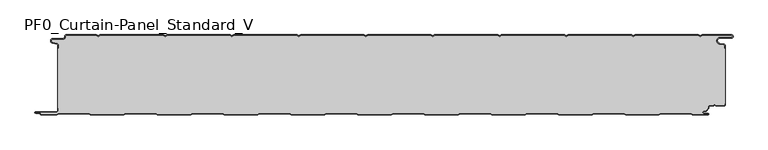
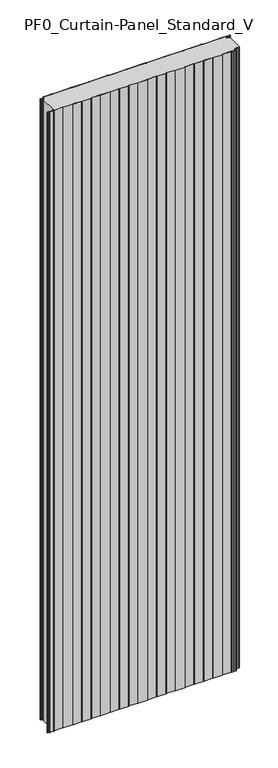
"""IFC4 building model written with IfcOpenShell, lengths in millimetres: plate geometry, PF0_Curtain-Panel_Standard_V."""

from ifc_helpers import new_model, si_unit, point, frame_2d, origin, origin_with_axes, place, context, project, spatial, polyline, circle_curve, trimmed, segment, composite_curve, outline, extrude, source, transform, mapped, element, save


def pf0_curtain_panel_standard_v_26ec280b(model_context):
    return source(origin(), model_context, "Body", "SweptSolid", [
        extrude(outline(composite_curve([segment(trimmed(circle_curve(frame_2d((-502.0, -15.878557)), 2.0), [point((-500.0, -15.878557))], [point((-501.5500978, -13.9298169))], True, "CARTESIAN"), True, "CONTINUOUS"), segment(polyline([(-501.5500978, -13.9298169), (-507.7098239, -12.507732)]), True, "CONTINUOUS"), segment(trimmed(circle_curve(frame_2d((-506.9, -9.0)), 3.6), [point((-507.7098239, -12.507732))], [point((-506.9, -5.4))], False, "CARTESIAN"), True, "CONTINUOUS"), segment(polyline([(-506.9, -5.4), (-491.4, -5.4)]), True, "CONTINUOUS"), segment(trimmed(circle_curve(frame_2d((-491.4, -3.4)), 2.0), [point((-491.4, -5.4))], [point((-489.4, -3.4))], True, "CARTESIAN"), True, "CONTINUOUS"), segment(polyline([(-489.4, -3.4), (-489.4, -2.0)]), True, "CONTINUOUS"), segment(trimmed(circle_curve(frame_2d((-487.4, -2.0)), 2.0), [point((-489.4, -2.0))], [point((-487.4, 0.0))], False, "CARTESIAN"), True, "CONTINUOUS"), segment(polyline([(-487.4, 0.0), (-442.0999995, 0.0), (-439.4, -1.5588455), (-436.7000005, 0.0), (-342.0999995, 0.0), (-339.4, -1.5588455), (-336.7000005, 0.0), (-242.0999995, 0.0), (-239.4, -1.5588455), (-236.7000005, 0.0), (-142.0999995, 0.0), (-139.4, -1.5588455), (-136.7000005, 0.0), (-42.0999995, 0.0), (-39.4, -1.5588455), (-36.7000005, 0.0), (57.9000005, 0.0), (60.6, -1.5588455), (63.2999995, 0.0), (157.9000005, 0.0), (160.6, -1.5588455), (163.2999995, 0.0), (257.9000005, 0.0), (260.6, -1.5588455), (263.2999995, 0.0), (357.9000005, 0.0), (360.6, -1.5588455), (363.2999995, 0.0), (457.9000005, 0.0), (460.6, -1.5588455), (463.2999995, 0.0), (507.268846, 0.0)]), True, "CONTINUOUS"), segment(trimmed(circle_curve(frame_2d((507.268846, -2.5)), 2.5), [point((507.268846, 0.0))], [point((507.268846, -5.0))], False, "CARTESIAN"), True, "CONTINUOUS"), segment(polyline([(507.268846, -5.0), (490.268846, -5.0)]), True, "CONTINUOUS"), segment(trimmed(circle_curve(frame_2d((490.268846, -9.0)), 4.0), [point((490.268846, -5.0))], [point((489.574253, -12.939231))], True, "CARTESIAN"), True, "CONTINUOUS"), segment(polyline([(489.574253, -12.939231), (496.0203315, -14.0758491)]), True, "CONTINUOUS"), segment(trimmed(circle_curve(frame_2d((495.568846, -16.6363492)), 2.6), [point((496.0203315, -14.0758491))], [point((498.168846, -16.6363492))], False, "CARTESIAN"), True, "CONTINUOUS"), segment(polyline([(498.168846, -16.6363492), (498.168846, -20.0), (497.368846, -20.0), (497.368846, -16.6363492)]), True, "CONTINUOUS"), segment(trimmed(circle_curve(frame_2d((495.568846, -16.6363492)), 1.8), [point((497.368846, -16.6363492))], [point((495.8814129, -14.8636953))], True, "CARTESIAN"), True, "CONTINUOUS"), segment(polyline([(495.8814129, -14.8636953), (489.4353344, -13.7270772)]), True, "CONTINUOUS"), segment(trimmed(circle_curve(frame_2d((490.268846, -9.0)), 4.8), [point((489.4353344, -13.7270772))], [point((490.268846, -4.2))], False, "CARTESIAN"), True, "CONTINUOUS"), segment(polyline([(490.268846, -4.2), (507.268846, -4.2)]), True, "CONTINUOUS"), segment(trimmed(circle_curve(frame_2d((507.268846, -2.5)), 1.7), [point((507.268846, -4.2))], [point((507.268846, -0.8))], True, "CARTESIAN"), True, "CONTINUOUS"), segment(polyline([(507.268846, -0.8), (463.5143588, -0.8), (460.6, -2.482606), (457.6856412, -0.8), (363.5143588, -0.8), (360.6, -2.482606), (357.6856412, -0.8), (263.5143588, -0.8), (260.6, -2.482606), (257.6856412, -0.8), (163.5143588, -0.8), (160.6, -2.482606), (157.6856412, -0.8), (63.5143588, -0.8), (60.6, -2.482606), (57.6856412, -0.8), (-36.4856412, -0.8), (-39.4, -2.482606), (-42.3143588, -0.8), (-136.4856412, -0.8), (-139.4, -2.482606), (-142.3143588, -0.8), (-236.4856412, -0.8), (-239.4, -2.482606), (-242.3143588, -0.8), (-336.4856412, -0.8), (-339.4, -2.482606), (-342.3143588, -0.8), (-436.4856412, -0.8), (-439.4, -2.482606), (-442.3143588, -0.8), (-487.4, -0.8)]), True, "CONTINUOUS"), segment(trimmed(circle_curve(frame_2d((-487.4, -2.0)), 1.2), [point((-487.4, -0.8))], [point((-488.6, -2.0))], True, "CARTESIAN"), True, "CONTINUOUS"), segment(polyline([(-488.6, -2.0), (-488.6, -3.4)]), True, "CONTINUOUS"), segment(trimmed(circle_curve(frame_2d((-491.4, -3.4)), 2.8), [point((-488.6, -3.4))], [point((-491.4, -6.2))], False, "CARTESIAN"), True, "CONTINUOUS"), segment(polyline([(-491.4, -6.2), (-506.9, -6.2)]), True, "CONTINUOUS"), segment(trimmed(circle_curve(frame_2d((-506.9, -9.0)), 2.8), [point((-506.9, -6.2))], [point((-507.529863, -11.7282362))], True, "CARTESIAN"), True, "CONTINUOUS"), segment(polyline([(-507.529863, -11.7282362), (-501.370137, -13.150321)]), True, "CONTINUOUS"), segment(trimmed(circle_curve(frame_2d((-502.0, -15.878557)), 2.8), [point((-501.370137, -13.150321))], [point((-499.2, -15.878557))], False, "CARTESIAN"), True, "CONTINUOUS"), segment(polyline([(-499.2, -15.878557), (-499.2, -20.0), (-500.0, -20.0), (-500.0, -15.878557)]), True, "CONTINUOUS")], self_intersect=False)), origin_with_axes(), (0.0, 0.0, 1.0), 3500.0),
        extrude(outline(composite_curve([segment(polyline([(-499.2, -110.0), (-500.0, -110.0), (-500.0, -20.0), (-499.2, -20.0), (-499.2, -15.878557)]), True, "CONTINUOUS"), segment(trimmed(circle_curve(frame_2d((-502.0, -15.878557)), 2.8), [point((-499.2, -15.878557))], [point((-501.370137, -13.1503208))], True, "CARTESIAN"), True, "CONTINUOUS"), segment(polyline([(-501.370137, -13.1503208), (-507.529863, -11.7282362)]), True, "CONTINUOUS"), segment(trimmed(circle_curve(frame_2d((-506.9, -9.0)), 2.8), [point((-507.529863, -11.7282362))], [point((-506.9, -6.2))], False, "CARTESIAN"), True, "CONTINUOUS"), segment(polyline([(-506.9, -6.2), (-491.4, -6.2)]), True, "CONTINUOUS"), segment(trimmed(circle_curve(frame_2d((-491.4, -3.4)), 2.8), [point((-491.4, -6.2))], [point((-488.6, -3.4))], True, "CARTESIAN"), True, "CONTINUOUS"), segment(polyline([(-488.6, -3.4), (-488.6, -2.0)]), True, "CONTINUOUS"), segment(trimmed(circle_curve(frame_2d((-487.4, -2.0)), 1.2), [point((-488.6, -2.0))], [point((-487.4, -0.8))], False, "CARTESIAN"), True, "CONTINUOUS"), segment(polyline([(-487.4, -0.8), (-442.3143588, -0.8), (-439.4, -2.482606), (-436.4856412, -0.8), (-342.3143588, -0.8), (-339.4, -2.482606), (-336.4856412, -0.8), (-242.3143588, -0.8), (-239.4, -2.482606), (-236.4856412, -0.8), (-142.3143588, -0.8), (-139.4, -2.482606), (-136.4856412, -0.8), (-42.3143588, -0.8), (-39.4, -2.482606), (-36.4856412, -0.8), (57.6856412, -0.8), (60.6, -2.482606), (63.5143588, -0.8), (157.6856412, -0.8), (160.6, -2.482606), (163.5143588, -0.8), (257.6856412, -0.8), (260.6, -2.482606), (263.5143588, -0.8), (357.6856412, -0.8), (360.6, -2.482606), (363.5143588, -0.8), (457.6856412, -0.8), (460.6, -2.482606), (463.5143588, -0.8), (507.268846, -0.8)]), True, "CONTINUOUS"), segment(trimmed(circle_curve(frame_2d((507.268846, -2.5)), 1.7), [point((507.268846, -0.8))], [point((507.268846, -4.2))], False, "CARTESIAN"), True, "CONTINUOUS"), segment(polyline([(507.268846, -4.2), (490.268846, -4.2)]), True, "CONTINUOUS"), segment(trimmed(circle_curve(frame_2d((490.268846, -9.0)), 4.8), [point((490.268846, -4.2))], [point((489.4353344, -13.7270772))], True, "CARTESIAN"), True, "CONTINUOUS"), segment(polyline([(489.4353344, -13.7270772), (495.8814129, -14.8636953)]), True, "CONTINUOUS"), segment(trimmed(circle_curve(frame_2d((495.568846, -16.6363492)), 1.8), [point((495.8814129, -14.8636953))], [point((497.368846, -16.6363492))], False, "CARTESIAN"), True, "CONTINUOUS"), segment(polyline([(497.368846, -16.6363492), (497.368846, -20.0), (498.168846, -20.0), (498.168846, -103.0), (497.368846, -103.0), (497.368846, -104.4)]), True, "CONTINUOUS"), segment(trimmed(circle_curve(frame_2d((495.568846, -104.4)), 1.8), [point((497.368846, -104.4))], [point((495.568846, -106.2))], False, "CARTESIAN"), True, "CONTINUOUS"), segment(polyline([(495.568846, -106.2), (484.0002158, -106.2), (482.168846, -104.3686285), (480.3374762, -106.2), (474.168846, -106.2)]), True, "CONTINUOUS"), segment(trimmed(circle_curve(frame_2d((474.168846, -108.0)), 1.8), [point((474.168846, -106.2))], [point((472.368846, -108.0))], True, "CARTESIAN"), True, "CONTINUOUS"), segment(polyline([(472.368846, -108.0), (472.368846, -108.8276204)]), True, "CONTINUOUS"), segment(trimmed(circle_curve(frame_2d((466.9964664, -108.8276204)), 5.3723796), [point((472.368846, -108.8276204))], [point((466.9964664, -114.2))], False, "CARTESIAN"), True, "CONTINUOUS"), segment(polyline([(466.9964664, -114.2), (466.168846, -114.2)]), True, "CONTINUOUS"), segment(trimmed(circle_curve(frame_2d((466.168846, -116.4)), 2.2), [point((466.168846, -114.2))], [point((466.168846, -118.6))], True, "CARTESIAN"), True, "CONTINUOUS"), segment(polyline([(466.168846, -118.6), (472.0579973, -118.6)]), True, "CONTINUOUS"), segment(trimmed(circle_curve(frame_2d((472.0579973, -118.9)), 0.3), [point((472.0579973, -118.6))], [point((472.0579973, -119.2))], False, "CARTESIAN"), True, "CONTINUOUS"), segment(polyline([(472.0579973, -119.2), (449.2152562, -119.2), (446.6171786, -117.7), (401.3884624, -117.7), (398.7903848, -119.2), (349.2152562, -119.2), (346.6171786, -117.7), (301.3884624, -117.7), (298.7903848, -119.2), (249.2152562, -119.2), (246.6171786, -117.7), (201.3884624, -117.7), (198.7903848, -119.2), (149.2152562, -119.2), (146.6171786, -117.7), (101.3884624, -117.7), (98.7903848, -119.2), (49.2152562, -119.2), (46.6171786, -117.7), (1.3884624, -117.7), (-1.2096152, -119.2), (-50.7847438, -119.2), (-53.3828214, -117.7), (-98.6115376, -117.7), (-101.2096152, -119.2), (-150.7847438, -119.2), (-153.3828214, -117.7), (-198.6115376, -117.7), (-201.2096152, -119.2), (-250.7847438, -119.2), (-253.3828214, -117.7), (-298.6115376, -117.7), (-301.2096152, -119.2), (-350.7847438, -119.2), (-353.3828214, -117.7), (-398.6115376, -117.7), (-401.2096152, -119.2), (-450.7847438, -119.2), (-453.3828214, -117.7), (-498.6115376, -117.7), (-501.2096152, -119.2), (-524.4, -119.2)]), True, "CONTINUOUS"), segment(trimmed(circle_curve(frame_2d((-524.4, -118.4)), 0.8), [point((-524.4, -119.2))], [point((-525.2, -118.4))], False, "CARTESIAN"), True, "CONTINUOUS"), segment(trimmed(circle_curve(frame_2d((-526.9, -118.6133333)), 1.7133333), [point((-525.2, -118.4))], [point((-526.9, -116.9))], True, "CARTESIAN"), True, "CONTINUOUS"), segment(polyline([(-526.9, -116.9), (-532.8700312, -116.9)]), True, "CONTINUOUS"), segment(trimmed(circle_curve(frame_2d((-532.8700312, -116.6)), 0.3), [point((-532.8700312, -116.9))], [point((-532.8700312, -116.3))], False, "CARTESIAN"), True, "CONTINUOUS"), segment(polyline([(-532.8700312, -116.3), (-502.0, -116.3)]), True, "CONTINUOUS"), segment(trimmed(circle_curve(frame_2d((-502.0, -113.5)), 2.8), [point((-502.0, -116.3))], [point((-499.2, -113.5))], True, "CARTESIAN"), True, "CONTINUOUS"), segment(polyline([(-499.2, -113.5), (-499.2, -110.0)]), True, "CONTINUOUS")], self_intersect=False)), origin_with_axes(), (0.0, 0.0, 1.0), 3500.0),
        extrude(outline(composite_curve([segment(polyline([(-500.0, -110.0), (-499.2, -110.0), (-499.2, -113.5)]), True, "CONTINUOUS"), segment(trimmed(circle_curve(frame_2d((-502.0, -113.5)), 2.8), [point((-499.2, -113.5))], [point((-502.0, -116.3))], False, "CARTESIAN"), True, "CONTINUOUS"), segment(polyline([(-502.0, -116.3), (-532.8700312, -116.3)]), True, "CONTINUOUS"), segment(trimmed(circle_curve(frame_2d((-532.8700312, -116.6)), 0.3), [point((-532.8700312, -116.3))], [point((-532.8700312, -116.9))], True, "CARTESIAN"), True, "CONTINUOUS"), segment(polyline([(-532.8700312, -116.9), (-526.9, -116.9)]), True, "CONTINUOUS"), segment(trimmed(circle_curve(frame_2d((-526.9, -118.6133333)), 1.7133333), [point((-526.9, -116.9))], [point((-525.2, -118.4))], False, "CARTESIAN"), True, "CONTINUOUS"), segment(trimmed(circle_curve(frame_2d((-524.4, -118.4)), 0.8), [point((-525.2, -118.4))], [point((-524.4, -119.2))], True, "CARTESIAN"), True, "CONTINUOUS"), segment(polyline([(-524.4, -119.2), (-501.2096152, -119.2), (-498.6115376, -117.7), (-453.3828214, -117.7), (-450.7847438, -119.2), (-401.2096152, -119.2), (-398.6115376, -117.7), (-353.3828214, -117.7), (-350.7847438, -119.2), (-301.2096152, -119.2), (-298.6115376, -117.7), (-253.3828214, -117.7), (-250.7847438, -119.2), (-201.2096152, -119.2), (-198.6115376, -117.7), (-153.3828214, -117.7), (-150.7847438, -119.2), (-101.2096152, -119.2), (-98.6115376, -117.7), (-53.3828214, -117.7), (-50.7847438, -119.2), (-1.2096152, -119.2), (1.3884624, -117.7), (46.6171786, -117.7), (49.2152562, -119.2), (98.7903848, -119.2), (101.3884624, -117.7), (146.6171786, -117.7), (149.2152562, -119.2), (198.7903848, -119.2), (201.3884624, -117.7), (246.6171786, -117.7), (249.2152562, -119.2), (298.7903848, -119.2), (301.3884624, -117.7), (346.6171786, -117.7), (349.2152562, -119.2), (398.7903848, -119.2), (401.3884624, -117.7), (446.6171786, -117.7), (449.2152562, -119.2), (472.0579973, -119.2)]), True, "CONTINUOUS"), segment(trimmed(circle_curve(frame_2d((472.0579973, -118.9)), 0.3), [point((472.0579973, -119.2))], [point((472.0579973, -118.6))], True, "CARTESIAN"), True, "CONTINUOUS"), segment(polyline([(472.0579973, -118.6), (466.168846, -118.6)]), True, "CONTINUOUS"), segment(trimmed(circle_curve(frame_2d((466.168846, -116.4)), 2.2), [point((466.168846, -118.6))], [point((466.168846, -114.2))], False, "CARTESIAN"), True, "CONTINUOUS"), segment(polyline([(466.168846, -114.2), (466.9964664, -114.2)]), True, "CONTINUOUS"), segment(trimmed(circle_curve(frame_2d((466.9964664, -108.8276204)), 5.3723796), [point((466.9964664, -114.2))], [point((472.368846, -108.8276204))], True, "CARTESIAN"), True, "CONTINUOUS"), segment(polyline([(472.368846, -108.8276204), (472.368846, -108.0)]), True, "CONTINUOUS"), segment(trimmed(circle_curve(frame_2d((474.168846, -108.0)), 1.8), [point((472.368846, -108.0))], [point((474.168846, -106.2))], False, "CARTESIAN"), True, "CONTINUOUS"), segment(polyline([(474.168846, -106.2), (480.3374762, -106.2), (482.168846, -104.3686285), (484.0002158, -106.2), (495.568846, -106.2)]), True, "CONTINUOUS"), segment(trimmed(circle_curve(frame_2d((495.568846, -104.4)), 1.8), [point((495.568846, -106.2))], [point((497.368846, -104.4))], True, "CARTESIAN"), True, "CONTINUOUS"), segment(polyline([(497.368846, -104.4), (497.368846, -103.0), (498.168846, -103.0), (498.168846, -104.4)]), True, "CONTINUOUS"), segment(trimmed(circle_curve(frame_2d((495.568846, -104.4)), 2.6), [point((498.168846, -104.4))], [point((495.568846, -107.0))], False, "CARTESIAN"), True, "CONTINUOUS"), segment(polyline([(495.568846, -107.0), (483.6688448, -107.0), (482.168846, -105.4999999), (480.6688472, -107.0), (474.168846, -107.0)]), True, "CONTINUOUS"), segment(trimmed(circle_curve(frame_2d((474.168846, -108.0)), 1.0), [point((474.168846, -107.0))], [point((473.168846, -108.0))], True, "CARTESIAN"), True, "CONTINUOUS"), segment(polyline([(473.168846, -108.0), (473.168846, -108.8276204)]), True, "CONTINUOUS"), segment(trimmed(circle_curve(frame_2d((466.9964664, -108.8276204)), 6.1723796), [point((473.168846, -108.8276204))], [point((466.9964664, -115.0))], False, "CARTESIAN"), True, "CONTINUOUS"), segment(polyline([(466.9964664, -115.0), (466.168846, -115.0)]), True, "CONTINUOUS"), segment(trimmed(circle_curve(frame_2d((466.168846, -116.5)), 1.5), [point((466.168846, -115.0))], [point((466.168846, -118.0))], True, "CARTESIAN"), True, "CONTINUOUS"), segment(polyline([(466.168846, -118.0), (472.168846, -118.0)]), True, "CONTINUOUS"), segment(trimmed(circle_curve(frame_2d((472.168846, -119.0)), 1.0), [point((472.168846, -118.0))], [point((472.168846, -120.0))], False, "CARTESIAN"), True, "CONTINUOUS"), segment(polyline([(472.168846, -120.0), (449.0008969, -120.0), (446.4028193, -118.5), (401.6028217, -118.5), (399.0047441, -120.0), (349.0008969, -120.0), (346.4028193, -118.5), (301.6028217, -118.5), (299.0047441, -120.0), (249.0008969, -120.0), (246.4028193, -118.5), (201.6028217, -118.5), (199.0047441, -120.0), (149.0008969, -120.0), (146.4028193, -118.5), (101.6028217, -118.5), (99.0047441, -120.0), (49.0008969, -120.0), (46.4028193, -118.5), (1.6028217, -118.5), (-0.9952559, -120.0), (-50.9991031, -120.0), (-53.5971807, -118.5), (-98.3971783, -118.5), (-100.9952559, -120.0), (-150.9991031, -120.0), (-153.5971807, -118.5), (-198.3971783, -118.5), (-200.9952559, -120.0), (-250.9991031, -120.0), (-253.5971807, -118.5), (-298.3971783, -118.5), (-300.9952559, -120.0), (-350.9991031, -120.0), (-353.5971807, -118.5), (-398.3971783, -118.5), (-400.9952559, -120.0), (-450.9991031, -120.0), (-453.5971807, -118.5), (-498.3971783, -118.5), (-500.9952559, -120.0), (-524.4, -120.0)]), True, "CONTINUOUS"), segment(trimmed(circle_curve(frame_2d((-524.4, -118.4)), 1.6), [point((-524.4, -120.0))], [point((-526.0, -118.4))], False, "CARTESIAN"), True, "CONTINUOUS"), segment(trimmed(circle_curve(frame_2d((-526.9, -118.4)), 0.9), [point((-526.0, -118.4))], [point((-526.9, -117.5))], True, "CARTESIAN"), True, "CONTINUOUS"), segment(polyline([(-526.9, -117.5), (-533.0, -117.5)]), True, "CONTINUOUS"), segment(trimmed(circle_curve(frame_2d((-533.0, -116.5)), 1.0), [point((-533.0, -117.5))], [point((-533.0, -115.5))], False, "CARTESIAN"), True, "CONTINUOUS"), segment(polyline([(-533.0, -115.5), (-502.0, -115.5)]), True, "CONTINUOUS"), segment(trimmed(circle_curve(frame_2d((-502.0, -113.5)), 2.0), [point((-502.0, -115.5))], [point((-500.0, -113.5))], True, "CARTESIAN"), True, "CONTINUOUS"), segment(polyline([(-500.0, -113.5), (-500.0, -110.0)]), True, "CONTINUOUS")], self_intersect=False)), origin_with_axes(), (0.0, 0.0, 1.0), 3500.0),
    ])


if __name__ == "__main__":
    model = new_model("IFC4")
    model_context = context("Model", 3, world=origin())
    ifc_project = project(units=[si_unit("LENGTHUNIT", "METRE", prefix="MILLI")], contexts=[model_context])
    site = spatial("IfcSite", under=ifc_project)
    building = spatial("IfcBuilding", under=site)
    placement = place(None, origin())
    pf0_curtain_panel_standard_v_shape = pf0_curtain_panel_standard_v_26ec280b(model_context)
    element("IfcPlate", 1, ObjectType="PF0_Curtain-Panel_Standard_V", at=placement, inside=building, context=model_context, shape_type="MappedRepresentation", body=[
        mapped(pf0_curtain_panel_standard_v_shape, transform((0.0, 0.0, 0.0), x_axis=(1.0, 0.0, 0.0), y_axis=(0.0, 1.0, 0.0), z_axis=(0.0, 0.0, 1.0))),
    ])
    save(model, "model.ifc")
